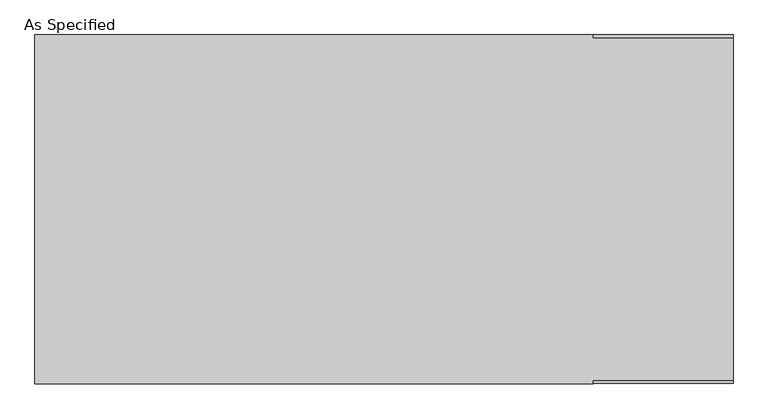
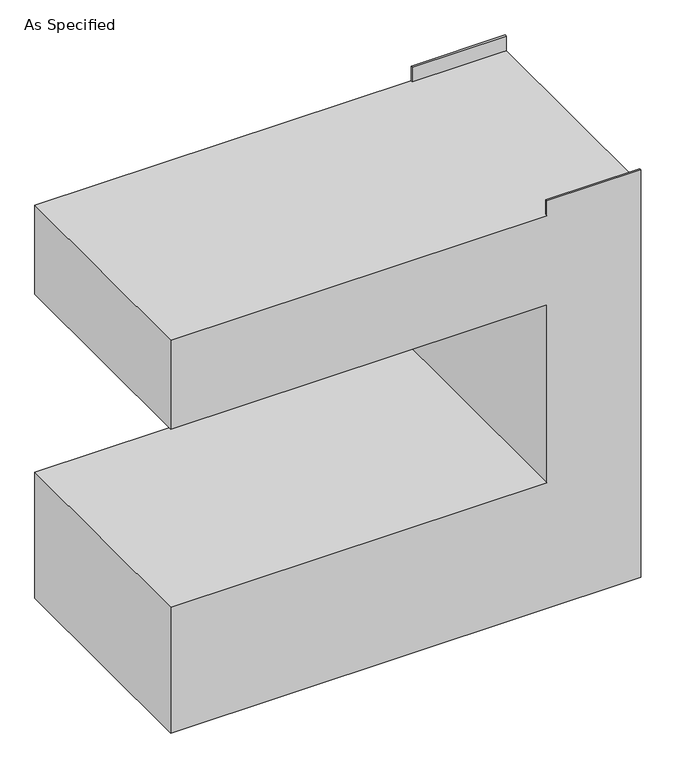
"""IFC4 building model written with IfcOpenShell, lengths in millimetres: proxy geometry, As Specified."""

import ifcopenshell
import ifcopenshell.guid

model = None  # the IFC model being written
_history = None  # IfcOwnerHistory: only IFC2X3 demands one
_inside = {}  # id of a spatial element -> (the spatial element, [elements in it])
_under = {}  # id of a project, library or spatial element -> (it, [spatial elements below it])
_declared = {}  # id of a project -> (the project, [libraries it declares])
_typed = {}  # id of a type object -> (the type object, [elements of that type])
_made_of = {}  # id of a material, layer set ... -> (it, [elements and type objects made of it])


def new_model(schema):
    """Start an empty IFC model of exactly this schema.

    Asked for "IFC4X3", IfcOpenShell would pick the latest addendum, in which some entities
    have other attributes; the version numbers below select the first issue.
    IFC2X3 requires an IfcOwnerHistory on every rooted entity: one is made here for all.
    """
    global model, _history
    if schema == "IFC4X3":
        model = ifcopenshell.file(schema_version=(4, 3, 0, 0))
    else:
        model = ifcopenshell.file(schema=schema)
    _inside.clear()
    _under.clear()
    _declared.clear()
    _typed.clear()
    _made_of.clear()
    _history = None
    if model.schema == "IFC2X3":
        org = make("IfcOrganization", Name="unknown")
        user = make(
            "IfcPersonAndOrganization",
            ThePerson=make("IfcPerson", FamilyName="unknown"),
            TheOrganization=org,
        )
        app = make(
            "IfcApplication",
            ApplicationDeveloper=org,
            Version="unknown",
            ApplicationFullName="unknown",
            ApplicationIdentifier="unknown",
        )
        _history = make(
            "IfcOwnerHistory",
            OwningUser=user,
            OwningApplication=app,
            ChangeAction="ADDED",
            CreationDate=0,
        )
    return model


def make(cls, **values):
    """One entity of the class cls with the attributes given. An attribute that is None is left unset."""
    return model.create_entity(
        cls, **{name: value for name, value in values.items() if value is not None}
    )


def rooted(cls, **values):
    """An entity with a GlobalId (a new one), such as an element, a storey or a relation."""
    return make(cls, GlobalId=ifcopenshell.guid.new(), OwnerHistory=_history, **values)


def si_unit(unit_type, name, prefix=None):
    """IfcSIUnit, for example si_unit("LENGTHUNIT", "METRE", prefix="MILLI")."""
    return make("IfcSIUnit", UnitType=unit_type, Prefix=prefix, Name=name)


def assignment(units):
    """IfcUnitAssignment: the units of a project."""
    return None if units is None else make("IfcUnitAssignment", Units=units)


def point(xyz):
    """IfcCartesianPoint."""
    return None if xyz is None else make("IfcCartesianPoint", Coordinates=xyz)


def direction(xyz):
    """IfcDirection."""
    return None if xyz is None else make("IfcDirection", DirectionRatios=xyz)


def frame(location, z_axis=None, x_axis=None):
    """IfcAxis2Placement3D, a coordinate frame: its origin and axes. An axis left out is left unset."""
    return make(
        "IfcAxis2Placement3D",
        Location=point(location),
        Axis=direction(z_axis),
        RefDirection=direction(x_axis),
    )


def origin():
    """The frame at (0, 0, 0) with its axes left unset."""
    return frame((0.0, 0.0, 0.0))


def place(relative_to, where):
    """IfcLocalPlacement: puts the frame where relative to a parent placement (None: the world)."""
    return make(
        "IfcLocalPlacement", PlacementRelTo=relative_to, RelativePlacement=where
    )


def context(
    kind, dimensions, precision=None, world=None, true_north=None, identifier=None
):
    """IfcGeometricRepresentationContext, for example the 3D "Model" context."""
    return make(
        "IfcGeometricRepresentationContext",
        ContextIdentifier=identifier,
        ContextType=kind,
        CoordinateSpaceDimension=dimensions,
        Precision=precision,
        WorldCoordinateSystem=world,
        TrueNorth=true_north,
    )


def project(units=None, contexts=None):
    """IfcProject with its units and contexts."""
    return rooted(
        "IfcProject",
        Name="project",
        RepresentationContexts=contexts,
        UnitsInContext=assignment(units),
    )


def spatial(cls, under=None, at=None, **own):
    """A site, building, storey or space (cls), placed at a placement, below another one or the project."""
    s = rooted(cls, ObjectPlacement=at, **own)
    if under is not None:
        _under.setdefault(under.id(), (under, []))[1].append(s)
    return s


def faces_of(points, faces, orient=None, outer=None):
    """IfcFace entities. A face is a list of loops; a loop is a list of indices into points, from 0.

    orient and outer hold one flag for each loop. By default every Orientation is true, the
    first loop of a face is its IfcFaceOuterBound and the others are IfcFaceBound.
    """
    made = []
    for i, loops in enumerate(faces):
        bounds = []
        for j, loop in enumerate(loops):
            is_outer = j == 0 if outer is None else outer[i][j]
            bounds.append(
                make(
                    "IfcFaceOuterBound" if is_outer else "IfcFaceBound",
                    Bound=make("IfcPolyLoop", Polygon=[points[k] for k in loop]),
                    Orientation=True if orient is None else orient[i][j],
                )
            )
        made.append(make("IfcFace", Bounds=bounds))
    return made


def faceted_brep(points, faces, orient=None, outer=None, voids=None):
    """IfcFacetedBrep: a solid bounded by flat faces; with voids (closed shells), ...WithVoids."""
    shared = [point(p) for p in points]
    hull = make("IfcClosedShell", CfsFaces=faces_of(shared, faces, orient, outer))
    if voids is None:
        return make("IfcFacetedBrep", Outer=hull)
    return make(
        "IfcFacetedBrepWithVoids",
        Outer=hull,
        Voids=[
            make(cls, CfsFaces=faces_of(shared, fs, o, b)) for cls, fs, o, b in voids
        ],
    )


def shape(context_of_items, identifier, shape_type, items):
    """IfcShapeRepresentation: the items that make up one representation, for example the "Body"."""
    return make(
        "IfcShapeRepresentation",
        ContextOfItems=context_of_items,
        RepresentationIdentifier=identifier,
        RepresentationType=shape_type,
        Items=items,
    )


def source(mapping_origin, context_of_items, identifier, shape_type, items):
    """IfcRepresentationMap: a shape defined once, which mapped items show again and again."""
    return make(
        "IfcRepresentationMap",
        MappingOrigin=mapping_origin,
        MappedRepresentation=shape(context_of_items, identifier, shape_type, items),
    )


def transform(
    local_origin,
    x_axis=None,
    y_axis=None,
    z_axis=None,
    scale=None,
    scale2=None,
    scale3=None,
    uniform=True,
):
    """IfcCartesianTransformationOperator3D, or its non-uniform kind. x_axis, y_axis, z_axis: its Axis1, 2, 3."""
    if uniform:
        return make(
            "IfcCartesianTransformationOperator3D",
            Axis1=direction(x_axis),
            Axis2=direction(y_axis),
            LocalOrigin=point(local_origin),
            Scale=scale,
            Axis3=direction(z_axis),
        )
    return make(
        "IfcCartesianTransformationOperator3DnonUniform",
        Axis1=direction(x_axis),
        Axis2=direction(y_axis),
        LocalOrigin=point(local_origin),
        Scale=scale,
        Axis3=direction(z_axis),
        Scale2=scale2,
        Scale3=scale3,
    )


def mapped(mapping_source, mapping_target):
    """IfcMappedItem: shows the shape of a source again, moved by a transform."""
    return make(
        "IfcMappedItem", MappingSource=mapping_source, MappingTarget=mapping_target
    )


def made_of(thing, what):
    """Note that an element or type object is made of a material, layer set ...; save() writes the relation."""
    if what is not None:
        _made_of.setdefault(what.id(), (what, []))[1].append(thing)
    return thing


def element(
    cls,
    number,
    at=None,
    inside=None,
    cuts=None,
    type_object=None,
    material=None,
    context=None,
    identifier="Body",
    shape_type=None,
    held_by="IfcProductDefinitionShape",
    body=None,
    shapes=None,
    **own,
):
    """One element of the class cls, such as IfcWall. Its Tag is "e" and its number.

    at: its placement. inside: the storey or other place that contains it. cuts: it is an
    opening in that element (IfcRelVoidsElement). A single representation is given by context,
    identifier, shape_type and body (its items); several are given by shapes. held_by: the class
    of the entity that holds the representations. save() writes the other relations.
    """
    e = rooted(cls, Tag="e%d" % number, ObjectPlacement=at, **own)
    if body is not None:
        shapes = [shape(context, identifier, shape_type, body)]
    if shapes is not None:
        e.Representation = make(held_by, Representations=shapes)
    if inside is not None:
        _inside.setdefault(inside.id(), (inside, []))[1].append(e)
    if cuts is not None:
        rooted(
            "IfcRelVoidsElement", RelatingBuildingElement=cuts, RelatedOpeningElement=e
        )
    if type_object is not None:
        _typed.setdefault(type_object.id(), (type_object, []))[1].append(e)
    return made_of(e, material)


def aggregate(whole, parts):
    """IfcRelAggregates: a whole, such as a stair, and the parts it consists of."""
    return rooted("IfcRelAggregates", RelatingObject=whole, RelatedObjects=parts)


def save(model, path):
    """Write the relations noted so far, then the file.

    IfcRelAggregates (storeys below a building ...), IfcRelContainedInSpatialStructure (elements
    in a storey), IfcRelDefinesByType, IfcRelAssociatesMaterial and IfcRelDeclares: one each for
    every whole, place, type object, material and project.
    """
    for whole, parts in _under.values():
        aggregate(whole, parts)
    for where, things in _inside.values():
        rooted(
            "IfcRelContainedInSpatialStructure",
            RelatedElements=things,
            RelatingStructure=where,
        )
    for kind, things in _typed.values():
        rooted("IfcRelDefinesByType", RelatedObjects=things, RelatingType=kind)
    for what, things in _made_of.values():
        rooted("IfcRelAssociatesMaterial", RelatedObjects=things, RelatingMaterial=what)
    for by, libraries in _declared.values():
        rooted("IfcRelDeclares", RelatingContext=by, RelatedDefinitions=libraries)
    model.write(path)


def as_specified_4f395ba8(model_context):
    return source(origin(), model_context, "Body", "Brep", [
        faceted_brep([(-762.0, 381.0, 1346.2), (-762.0, -381.0, 1346.2), (457.2, -381.0, 1346.2), (457.2, -374.65, 1346.2), (762.0, -374.65, 1346.2), (762.0, 374.65, 1346.2), (457.2, 374.65, 1346.2), (457.2, 381.0, 1346.2), (762.0, 381.0, 0.0), (762.0, -381.0, 0.0), (-762.0, -381.0, 0.0), (-762.0, 381.0, 0.0), (-762.0, 381.0, 431.8), (457.2, 381.0, 431.8), (457.2, 381.0, 1041.4), (-762.0, 381.0, 1041.4), (457.2, 381.0, 1397.0), (762.0, 381.0, 1397.0), (-762.0, -381.0, 1041.4), (-762.0, -381.0, 431.8), (762.0, -381.0, 1397.0), (457.2, -381.0, 1397.0), (457.2, -381.0, 1041.4), (457.2, -381.0, 431.8), (762.0, 374.65, 1397.0), (762.0, -374.65, 1397.0), (457.2, -374.65, 1397.0), (457.2, 374.65, 1397.0)], [[[0, 1, 2, 3, 4, 5, 6, 7]], [[8, 9, 10, 11]], [[8, 11, 12, 13, 14, 15, 0, 7, 16, 17]], [[1, 0, 15, 18]], [[11, 10, 19, 12]], [[10, 9, 20, 21, 2, 1, 18, 22, 23, 19]], [[9, 8, 17, 24, 5, 4, 25, 20]], [[23, 13, 12, 19]], [[13, 23, 22, 14]], [[14, 22, 18, 15]], [[21, 26, 3, 2]], [[26, 21, 20, 25]], [[3, 26, 25, 4]], [[16, 7, 6, 27]], [[16, 27, 24, 17]], [[27, 6, 5, 24]]]),
    ])


if __name__ == "__main__":
    model = new_model("IFC4")
    model_context = context("Model", 3, world=origin())
    ifc_project = project(units=[si_unit("LENGTHUNIT", "METRE", prefix="MILLI")], contexts=[model_context])
    site = spatial("IfcSite", under=ifc_project)
    building = spatial("IfcBuilding", under=site)
    placement = place(None, origin())
    as_specified_shape = as_specified_4f395ba8(model_context)
    element("IfcBuildingElementProxy", 1, Name="As Specified", ObjectType="As Specified", at=placement, inside=building, context=model_context, shape_type="MappedRepresentation", body=[
        mapped(as_specified_shape, transform((0.0, 0.0, 0.0), x_axis=(1.0, 0.0, 0.0), y_axis=(0.0, 1.0, 0.0), z_axis=(0.0, 0.0, 1.0))),
    ])
    save(model, "model.ifc")
